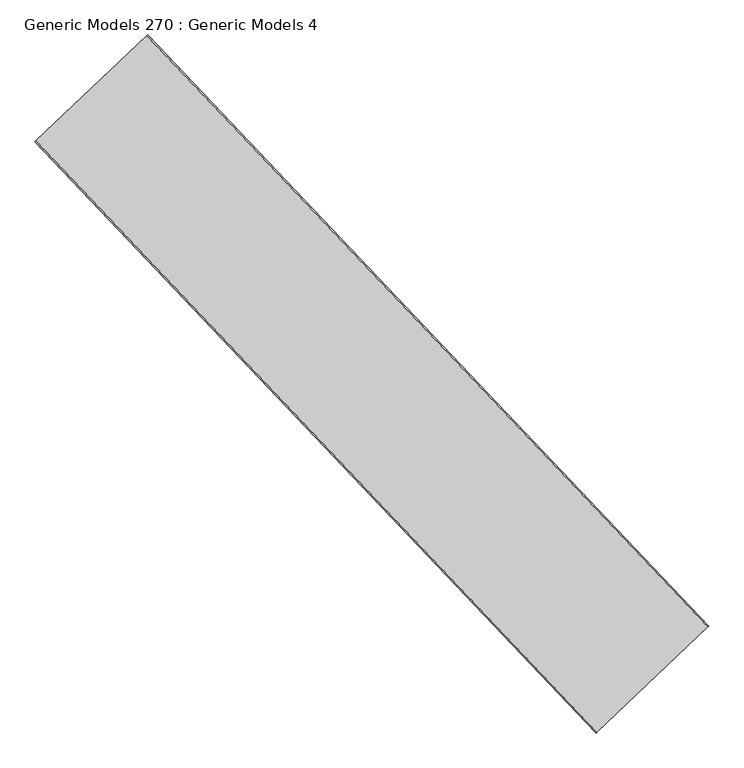
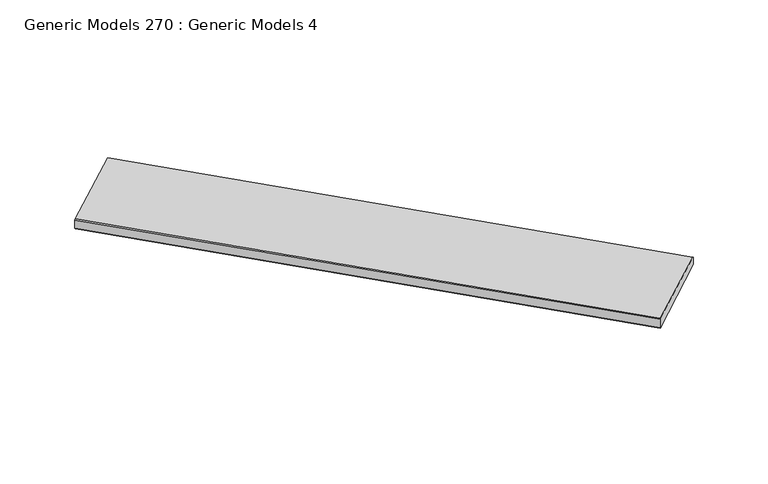
"""IFC4 building model written with IfcOpenShell, lengths in millimetres: proxy geometry, Generic Models 270 : Generic Models 4."""

from ifc_helpers import new_model, si_unit, frame, origin, place, context, project, spatial, polyline, outline, extrude, source, transform, mapped, element, save


def generic_models_270_generic_models_4_4e0182aa(model_context):
    return source(origin(), model_context, "Body", "SweptSolid", [
        extrude(outline(polyline([(12.7, 38.1), (127.0, 38.1), (139.7, 25.4), (174.2173257, -1631.4316327), (160.9989583, -1644.65), (12.7, -1644.65), (0.0, -1631.95), (0.0, 25.4), (12.7, 38.1)])), frame((114670.6447424, 54873.7219841, 16395.7), z_axis=(-0.6883545756936593, 0.7253743710123776, 0.0), x_axis=(0.0, 0.0, 1.0)), (0.0, 0.0, 1.0), 8832.85),
    ])


if __name__ == "__main__":
    model = new_model("IFC4")
    model_context = context("Model", 3, world=origin())
    ifc_project = project(units=[si_unit("LENGTHUNIT", "METRE", prefix="MILLI")], contexts=[model_context])
    site = spatial("IfcSite", under=ifc_project)
    building = spatial("IfcBuilding", under=site)
    placement = place(None, origin())
    generic_models_270_generic_models_4_shape = generic_models_270_generic_models_4_4e0182aa(model_context)
    element("IfcBuildingElementProxy", 1, Name="Generic Models 270 : Generic Models 4", ObjectType="Generic Models 270 : Generic Models 4", at=placement, inside=building, context=model_context, shape_type="MappedRepresentation", body=[
        mapped(generic_models_270_generic_models_4_shape, transform((0.0, 0.0, 0.0), x_axis=(1.0, 0.0, 0.0), y_axis=(0.0, 1.0, 0.0), z_axis=(0.0, 0.0, 1.0))),
    ])
    save(model, "model.ifc")
